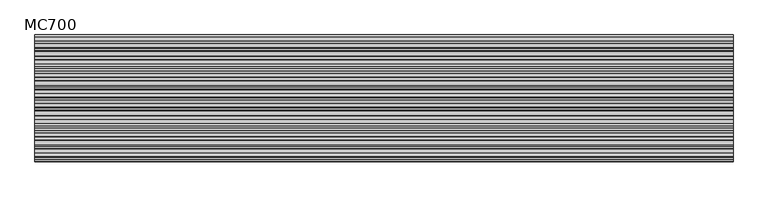
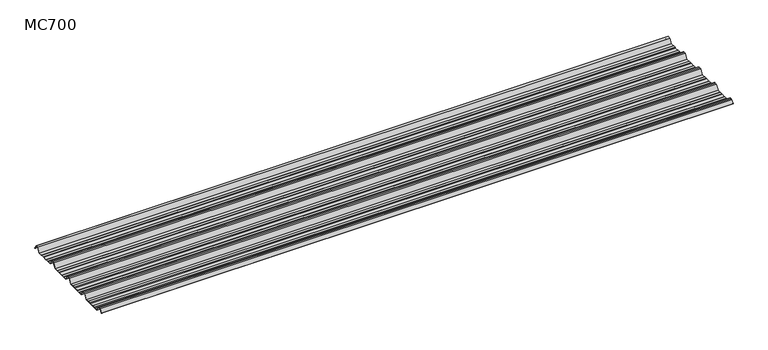
"""IFC4 building model written with IfcOpenShell, lengths in millimetres: beam geometry, MC700."""

from ifc_helpers import new_model, si_unit, point, frame, frame_2d, origin, place, context, project, spatial, polyline, circle_curve, trimmed, segment, composite_curve, outline, extrude, source, transform, mapped, element, save


def mc700_a2abed60(model_context):
    return source(origin(), model_context, "Body", "SweptSolid", [
        extrude(outline(composite_curve([segment(polyline([(-279.7790109, -25.7896475), (-284.1593286, -23.7494212), (-300.5873198, -23.7494212), (-303.802364, -25.7896475), (-326.5000016, -25.7896475), (-344.5745116, 5.2103525), (-355.0, 5.2103525), (-365.4254884, 5.2103525), (-383.4999984, -25.7896475), (-406.197636, -25.7896475), (-409.4126802, -23.7494212), (-425.8406714, -23.7494212), (-430.2209891, -25.7896475), (-457.2790109, -25.7896475), (-461.6593286, -23.7494212), (-478.0873198, -23.7494212), (-481.302364, -25.7896475), (-504.0000016, -25.7896475), (-522.0745116, 5.2103525), (-532.5, 5.2103525), (-542.9254884, 5.2103525), (-560.9999984, -25.7896475), (-583.697636, -25.7896475), (-586.9126802, -23.7494212), (-603.3406714, -23.7494212), (-607.7209891, -25.7896475), (-634.7790109, -25.7896475), (-639.1593286, -23.7494212), (-655.5873198, -23.7494212), (-658.802364, -25.7896475), (-681.5000016, -25.7896475), (-699.5745116, 5.2103525), (-710.0, 5.2103525), (-720.4254884, 5.2103525), (-732.728303, -15.8904825)]), True, "CONTINUOUS"), segment(trimmed(circle_curve(frame_2d((-733.160246, -15.6386387)), 0.5), [point((-732.728303, -15.8904825))], [point((-733.5921889, -15.3867949))], False, "CARTESIAN"), True, "CONTINUOUS"), segment(polyline([(-733.5921889, -15.3867949), (-721.0, 6.2103525), (-710.0, 6.2103525), (-699.0, 6.2103525), (-680.92549, -24.7896475), (-659.0928785, -24.7896475), (-655.8778343, -22.7494212), (-638.9378651, -22.7494212), (-634.5575473, -24.7896475), (-607.9424527, -24.7896475), (-603.5621349, -22.7494212), (-586.6221657, -22.7494212), (-583.4071215, -24.7896475), (-561.57451, -24.7896475), (-543.5, 6.2103525), (-532.5, 6.2103525), (-521.5, 6.2103525), (-503.42549, -24.7896475), (-481.5928785, -24.7896475), (-478.3778343, -22.7494212), (-461.4378651, -22.7494212), (-457.0575473, -24.7896475), (-430.4424527, -24.7896475), (-426.0621349, -22.7494212), (-409.1221657, -22.7494212), (-405.9071215, -24.7896475), (-384.07451, -24.7896475), (-366.0, 6.2103525), (-355.0, 6.2103525), (-344.0, 6.2103525), (-325.92549, -24.7896475), (-304.0928785, -24.7896475), (-300.8778343, -22.7494212), (-283.9378651, -22.7494212), (-279.5575473, -24.7896475), (-252.9424527, -24.7896475), (-248.5621349, -22.7494212), (-231.6221657, -22.7494212), (-228.4071215, -24.7896475), (-206.57451, -24.7896475), (-188.5, 6.2103525), (-177.5, 6.2103525), (-166.5, 6.2103525), (-148.42549, -24.7896475), (-126.5928785, -24.7896475), (-123.3778343, -22.7494212), (-106.4378651, -22.7494212), (-102.0575473, -24.7896475), (-75.4424527, -24.7896475), (-71.0621349, -22.7494212), (-54.1221657, -22.7494212), (-50.9071215, -24.7896475), (-26.7593894, -24.7896475), (-9.8509769, 4.2103525), (9.8509769, 4.2103525), (24.2964926, -20.5654776)]), True, "CONTINUOUS"), segment(trimmed(circle_curve(frame_2d((23.8645497, -20.8173214)), 0.5), [point((24.2964926, -20.5654776))], [point((23.4326067, -21.0691651))], False, "CARTESIAN"), True, "CONTINUOUS"), segment(polyline([(23.4326067, -21.0691651), (9.2764653, 3.2103525), (-9.2764653, 3.2103525), (-26.1848779, -25.7896475), (-51.197636, -25.7896475), (-54.4126802, -23.7494212), (-70.8406714, -23.7494212), (-75.2209891, -25.7896475), (-102.2790109, -25.7896475), (-106.6593286, -23.7494212), (-123.0873198, -23.7494212), (-126.302364, -25.7896475), (-149.0000016, -25.7896475), (-167.0745116, 5.2103525), (-177.5, 5.2103525), (-187.9254884, 5.2103525), (-205.9999984, -25.7896475), (-228.697636, -25.7896475), (-231.9126802, -23.7494212), (-248.3406714, -23.7494212), (-252.7209891, -25.7896475), (-279.7790109, -25.7896475)]), True, "CONTINUOUS")], self_intersect=False)), frame((-2084.3460781, 0.0, 0.0), z_axis=(1.0, 0.0, 0.0), x_axis=(0.0, 1.0, 0.0)), (0.0, 0.0, 1.0), 4168.6921562),
    ])


if __name__ == "__main__":
    model = new_model("IFC4")
    model_context = context("Model", 3, world=origin())
    ifc_project = project(units=[si_unit("LENGTHUNIT", "METRE", prefix="MILLI")], contexts=[model_context])
    site = spatial("IfcSite", under=ifc_project)
    building = spatial("IfcBuilding", under=site)
    placement = place(None, origin())
    mc700_shape = mc700_a2abed60(model_context)
    element("IfcBeam", 1, ObjectType="MC700", at=placement, inside=building, context=model_context, shape_type="MappedRepresentation", body=[
        mapped(mc700_shape, transform((0.0, 0.0, 0.0), x_axis=(1.0, 0.0, 0.0), y_axis=(0.0, 1.0, 0.0), z_axis=(0.0, 0.0, 1.0))),
    ])
    save(model, "model.ifc")
